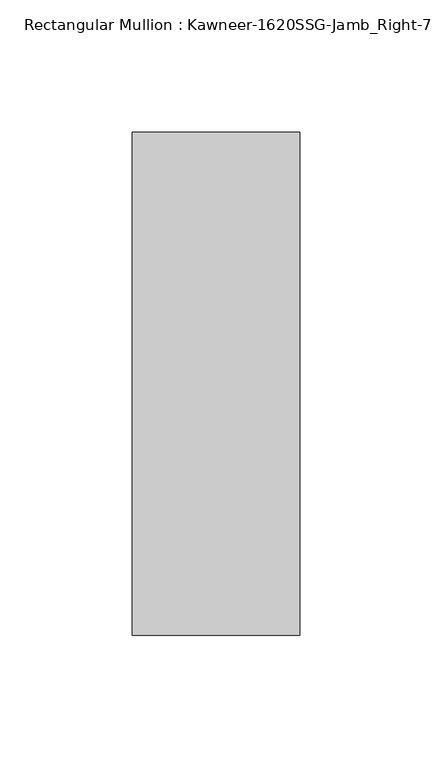
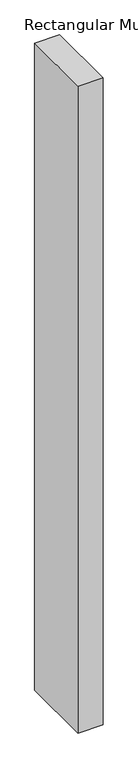
"""IFC4 building model written with IfcOpenShell, lengths in millimetres: member geometry."""

from ifc_helpers import new_model, si_unit, frame, origin, place, context, project, spatial, polyline, outline, extrude, source, transform, mapped, element, save


def member_189954e6(model_context):
    return source(origin(), model_context, "Body", "SweptSolid", [
        extrude(outline(polyline([(-22.225, 38.1), (41.275, 38.1), (41.275, -152.4), (-22.225, -152.4), (-22.225, 38.1)])), frame((0.0, 0.0, -1739.9), z_axis=(0.0, 0.0, 1.0), x_axis=(1.0, 0.0, 0.0)), (0.0, 0.0, 1.0), 1739.9),
    ])


if __name__ == "__main__":
    model = new_model("IFC4")
    model_context = context("Model", 3, world=origin())
    ifc_project = project(units=[si_unit("LENGTHUNIT", "METRE", prefix="MILLI")], contexts=[model_context])
    site = spatial("IfcSite", under=ifc_project)
    building = spatial("IfcBuilding", under=site)
    placement = place(None, origin())
    member_shape = member_189954e6(model_context)
    element("IfcMember", 1, ObjectType="Rectangular Mullion : Kawneer-1620SSG-Jamb_Right-7.5\"-1\"Infill", at=placement, inside=building, context=model_context, shape_type="MappedRepresentation", body=[
        mapped(member_shape, transform((0.0, 0.0, 0.0), x_axis=(1.0, 0.0, 0.0), y_axis=(0.0, 1.0, 0.0), z_axis=(0.0, 0.0, 1.0))),
    ])
    save(model, "model.ifc")
